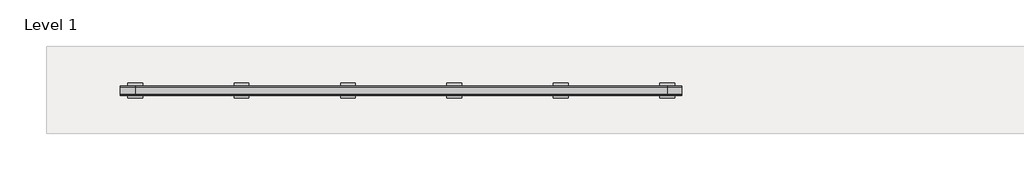
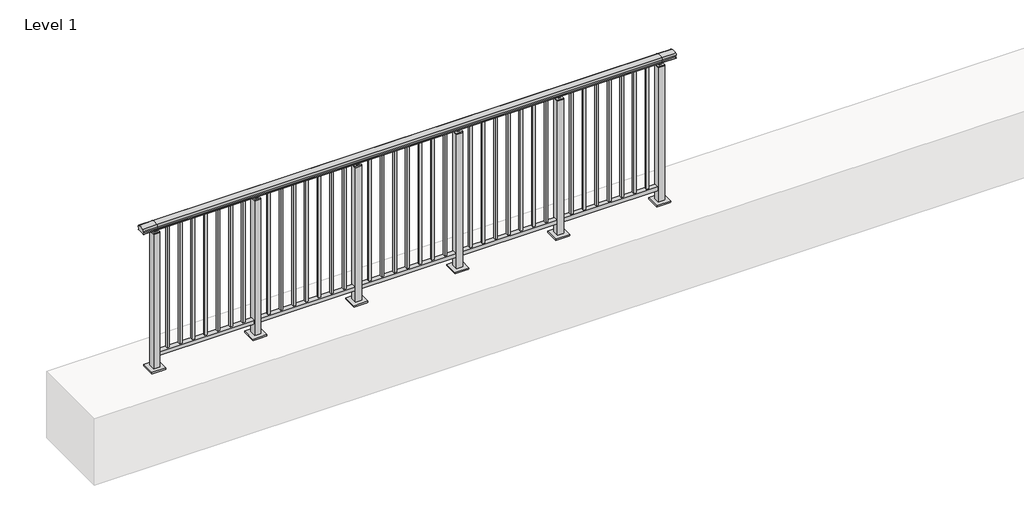
# One storey, part 26 of 64: 1 railing.
"""IFC4 building model written with IfcOpenShell, lengths in millimetres."""

from ifc_helpers import new_model, si_unit, frame, origin, origin_with_axes, place, context, project, spatial, polyline, circle_curve, outline, extrude, element, save
from ifc_brep_helpers import plane_surface, cylinder_surface, revolved_surface, advanced_brep

model = new_model("IFC4")

# Units and contexts
model_context = context("Model", 3, world=origin())
ifc_project = project(units=[si_unit("LENGTHUNIT", "METRE", prefix="MILLI")], contexts=[model_context])

# Site, building, storey
site = spatial("IfcSite", under=ifc_project)
building = spatial("IfcBuilding", under=site)
storey = spatial("IfcBuildingStorey", under=building, Name="Level 1", Elevation=0.0)

# Railing
placement = place(None, origin())
element("IfcRailing", 1, at=placement, inside=storey, context=model_context, shape_type="SolidModel", body=[
    advanced_brep(
    [(-100.0, 22715.3633756, 1095.6691182), (-100.0, 22720.1846828, 1081.1334092), (-100.0, 22719.2413744, 1069.2539035), (-100.0, 22721.1364177, 1061.4863007), (-100.0, 22719.4894799, 1060.384124), (-100.0, 22719.4894799, 1062.0), (-100.0, 22660.8798858, 1062.0), (-100.0, 22660.8798858, 1060.384124), (-100.0, 22659.232948, 1061.4863007), (-100.0, 22661.1279912, 1069.2539035), (-100.0, 22660.1846828, 1081.1334092), (-100.0, 22665.00599, 1095.6691182), (3700.0, 22715.3633756, 1095.6691182), (3700.0, 22665.00599, 1095.6691182), (3700.0, 22660.1846828, 1081.1334092), (3700.0, 22661.1279912, 1069.2539035), (3700.0, 22659.232948, 1061.4863007), (3700.0, 22660.8798858, 1060.384124), (3700.0, 22660.8798858, 1062.0), (3700.0, 22719.4894799, 1062.0), (3700.0, 22719.4894799, 1060.384124), (3700.0, 22721.1364177, 1061.4863007), (3700.0, 22719.2413744, 1069.2539035), (3700.0, 22720.1846828, 1081.1334092), (0.0, 22715.3633756, 1095.6691182), (0.0, 22720.1846828, 1081.1334092), (0.0, 22719.2413744, 1069.2539035), (0.0, 22721.1364177, 1061.4863007), (0.0, 22719.4894799, 1060.384124), (0.0, 22719.4894799, 1062.0), (0.0, 22660.8798858, 1062.0), (0.0, 22660.8798858, 1060.384124), (0.0, 22659.232948, 1061.4863007), (0.0, 22661.1279912, 1069.2539035), (0.0, 22660.1846828, 1081.1334092), (0.0, 22665.00599, 1095.6691182), (3600.0, 22715.3633756, 1095.6691182), (3600.0, 22720.1846828, 1081.1334092), (3600.0, 22719.2413744, 1069.2539035), (3600.0, 22721.1364177, 1061.4863007), (3600.0, 22719.4894799, 1060.384124), (3600.0, 22719.4894799, 1062.0), (3600.0, 22660.8798858, 1062.0), (3600.0, 22660.8798858, 1060.384124), (3600.0, 22659.232948, 1061.4863007), (3600.0, 22661.1279912, 1069.2539035), (3600.0, 22660.1846828, 1081.1334092), (3600.0, 22665.00599, 1095.6691182)],
    [
        (0, 1, circle_curve(frame((-100.0, 22712.1223845, 1086.526686), z_axis=(-1.0, 0.0, 0.0), x_axis=(0.0, -1.0, 0.0)), 9.6999015)),
        (1, 2, circle_curve(frame((-100.0, 22737.7252545, 1073.7633709), z_axis=(1.0, 0.0, 0.0), x_axis=(0.0, -1.0, 0.0)), 19.0260117)),
        (2, 3),
        (3, 4, circle_curve(frame((-100.0, 22720.2772073, 1060.9886194), z_axis=(-1.0, 0.0, 0.0), x_axis=(0.0, -1.0, 0.0)), 0.9929396)),
        (4, 5),
        (5, 6),
        (6, 7),
        (7, 8, circle_curve(frame((-100.0, 22660.0921584, 1060.9886194), z_axis=(-1.0, 0.0, 0.0), x_axis=(0.0, 1.0, 0.0)), 0.9929396)),
        (8, 9),
        (9, 10, circle_curve(frame((-100.0, 22642.6441111, 1073.7633709), z_axis=(1.0, 0.0, 0.0), x_axis=(0.0, 1.0, 0.0)), 19.0260117)),
        (10, 11, circle_curve(frame((-100.0, 22668.2469812, 1086.526686), z_axis=(-1.0, 0.0, 0.0), x_axis=(0.0, 1.0, 0.0)), 9.6999015)),
        (11, 0, circle_curve(frame((-100.0, 22690.1846828, 1024.6431628), z_axis=(-1.0, 0.0, 0.0), x_axis=(0.0, 1.0, 0.0)), 75.3568372)),
        (12, 13, circle_curve(frame((3700.0, 22690.1846828, 1024.6431628), z_axis=(1.0, 0.0, 0.0), x_axis=(0.0, 1.0, 0.0)), 75.3568372)),
        (13, 14, circle_curve(frame((3700.0, 22668.2469812, 1086.526686), z_axis=(1.0, 0.0, 0.0), x_axis=(0.0, 1.0, 0.0)), 9.6999015)),
        (14, 15, circle_curve(frame((3700.0, 22642.6441111, 1073.7633709), z_axis=(-1.0, 0.0, 0.0), x_axis=(0.0, 1.0, 0.0)), 19.0260117)),
        (15, 16),
        (16, 17, circle_curve(frame((3700.0, 22660.0921584, 1060.9886194), z_axis=(1.0, 0.0, 0.0), x_axis=(0.0, 1.0, 0.0)), 0.9929396)),
        (17, 18),
        (18, 19),
        (19, 20),
        (20, 21, circle_curve(frame((3700.0, 22720.2772073, 1060.9886194), z_axis=(1.0, 0.0, 0.0), x_axis=(0.0, -1.0, 0.0)), 0.9929396)),
        (21, 22),
        (22, 23, circle_curve(frame((3700.0, 22737.7252545, 1073.7633709), z_axis=(-1.0, 0.0, 0.0), x_axis=(0.0, -1.0, 0.0)), 19.0260117)),
        (23, 12, circle_curve(frame((3700.0, 22712.1223845, 1086.526686), z_axis=(1.0, 0.0, 0.0), x_axis=(0.0, -1.0, 0.0)), 9.6999015)),
        (0, 24),
        (24, 25, circle_curve(frame((0.0, 22712.1223845, 1086.526686), z_axis=(-1.0, 0.0, 0.0), x_axis=(0.0, -1.0, 0.0)), 9.6999015)),
        (25, 1),
        (25, 26, circle_curve(frame((0.0, 22737.7252545, 1073.7633709), z_axis=(1.0, 0.0, 0.0), x_axis=(0.0, -1.0, 0.0)), 19.0260117)),
        (26, 2),
        (26, 27),
        (27, 3),
        (27, 28, circle_curve(frame((0.0, 22720.2772073, 1060.9886194), z_axis=(-1.0, 0.0, 0.0), x_axis=(0.0, -1.0, 0.0)), 0.9929396)),
        (28, 4),
        (28, 29),
        (29, 5),
        (29, 30),
        (30, 6),
        (30, 31),
        (31, 7),
        (31, 32, circle_curve(frame((0.0, 22660.0921584, 1060.9886194), z_axis=(-1.0, 0.0, 0.0), x_axis=(0.0, 1.0, 0.0)), 0.9929396)),
        (32, 8),
        (32, 33),
        (33, 9),
        (33, 34, circle_curve(frame((0.0, 22642.6441111, 1073.7633709), z_axis=(1.0, 0.0, 0.0), x_axis=(0.0, 1.0, 0.0)), 19.0260117)),
        (34, 10),
        (34, 35, circle_curve(frame((0.0, 22668.2469812, 1086.526686), z_axis=(-1.0, 0.0, 0.0), x_axis=(0.0, 1.0, 0.0)), 9.6999015)),
        (35, 11),
        (35, 24, circle_curve(frame((0.0, 22690.1846828, 1024.6431628), z_axis=(-1.0, 0.0, 0.0), x_axis=(0.0, 1.0, 0.0)), 75.3568372)),
        (24, 36),
        (36, 37, circle_curve(frame((3600.0, 22712.1223845, 1086.526686), z_axis=(-1.0, 0.0, 0.0), x_axis=(0.0, -1.0, 0.0)), 9.6999015)),
        (37, 25),
        (37, 38, circle_curve(frame((3600.0, 22737.7252545, 1073.7633709), z_axis=(1.0, 0.0, 0.0), x_axis=(0.0, -1.0, 0.0)), 19.0260117)),
        (38, 26),
        (38, 39),
        (39, 27),
        (39, 40, circle_curve(frame((3600.0, 22720.2772073, 1060.9886194), z_axis=(-1.0, 0.0, 0.0), x_axis=(0.0, -1.0, 0.0)), 0.9929396)),
        (40, 28),
        (40, 41),
        (41, 29),
        (41, 42),
        (42, 30),
        (42, 43),
        (43, 31),
        (43, 44, circle_curve(frame((3600.0, 22660.0921584, 1060.9886194), z_axis=(-1.0, 0.0, 0.0), x_axis=(0.0, 1.0, 0.0)), 0.9929396)),
        (44, 32),
        (44, 45),
        (45, 33),
        (45, 46, circle_curve(frame((3600.0, 22642.6441111, 1073.7633709), z_axis=(1.0, 0.0, 0.0), x_axis=(0.0, 1.0, 0.0)), 19.0260117)),
        (46, 34),
        (46, 47, circle_curve(frame((3600.0, 22668.2469812, 1086.526686), z_axis=(-1.0, 0.0, 0.0), x_axis=(0.0, 1.0, 0.0)), 9.6999015)),
        (47, 35),
        (47, 36, circle_curve(frame((3600.0, 22690.1846828, 1024.6431628), z_axis=(-1.0, 0.0, 0.0), x_axis=(0.0, 1.0, 0.0)), 75.3568372)),
        (36, 12),
        (23, 37),
        (22, 38),
        (21, 39),
        (20, 40),
        (19, 41),
        (18, 42),
        (17, 43),
        (16, 44),
        (15, 45),
        (14, 46),
        (13, 47),
    ],
    [
        plane_surface(frame((-100.0, 22690.1846828, 1100.0), z_axis=(-1.0, 0.0, 0.0), x_axis=(0.0, 1.0, 0.0))),
        plane_surface(frame((3700.0, 22690.1846828, 1100.0), z_axis=(1.0, 0.0, 0.0), x_axis=(0.0, 1.0, 0.0))),
        cylinder_surface(frame((-100.0, 22712.1223845, 1086.526686), z_axis=(-1.0, 0.0, 0.0), x_axis=(0.0, -1.0, 0.0)), 9.6999015),
        revolved_surface(polyline([(0.0, 22718.6992428, 1073.7633709), (-100.0, 22718.6992428, 1073.7633709)]), (-100.0, 22737.7252545, 1073.7633709), (1.0, 0.0, 0.0)),
        plane_surface(frame((-100.0, 22719.2413744, 1069.2539035), z_axis=(0.0, 0.9715057689301543, 0.2370159086125439), x_axis=(1.0, 0.0, 0.0))),
        cylinder_surface(frame((-100.0, 22720.2772073, 1060.9886194), z_axis=(-1.0, 0.0, 0.0), x_axis=(0.0, -1.0, 0.0)), 0.9929396),
        plane_surface(frame((-100.0, 22719.4894799, 1060.384124), z_axis=(0.0, -1.0, 0.0), x_axis=(1.0, 0.0, 0.0))),
        plane_surface(frame((-100.0, 22719.4894799, 1062.0), z_axis=(0.0, 0.0, -1.0), x_axis=(1.0, 0.0, 0.0))),
        plane_surface(frame((-100.0, 22660.8798858, 1062.0), z_axis=(0.0, 1.0, 0.0), x_axis=(1.0, 0.0, 0.0))),
        cylinder_surface(frame((-100.0, 22660.0921584, 1060.9886194), z_axis=(-1.0, 0.0, 0.0), x_axis=(0.0, 1.0, 0.0)), 0.9929396),
        plane_surface(frame((-100.0, 22659.232948, 1061.4863007), z_axis=(0.0, -0.9715057689301543, 0.2370159086125439), x_axis=(1.0, 0.0, 0.0))),
        revolved_surface(polyline([(0.0, 22661.6701228, 1073.7633709), (-100.0, 22661.6701228, 1073.7633709)]), (-100.0, 22642.6441111, 1073.7633709), (1.0, 0.0, 0.0)),
        cylinder_surface(frame((-100.0, 22668.2469812, 1086.526686), z_axis=(-1.0, 0.0, 0.0), x_axis=(0.0, 1.0, 0.0)), 9.6999015),
        cylinder_surface(frame((-100.0, 22690.1846828, 1024.6431628), z_axis=(-1.0, 0.0, 0.0), x_axis=(0.0, 1.0, 0.0)), 75.3568372),
        cylinder_surface(frame((0.0, 22712.1223845, 1086.526686), z_axis=(-1.0, 0.0, 0.0), x_axis=(0.0, -1.0, 0.0)), 9.6999015),
        revolved_surface(polyline([(3600.0, 22718.6992428, 1073.7633709), (0.0, 22718.6992428, 1073.7633709)]), (0.0, 22737.7252545, 1073.7633709), (1.0, 0.0, 0.0)),
        plane_surface(frame((0.0, 22719.2413744, 1069.2539035), z_axis=(0.0, 0.9715057689301543, 0.2370159086125439), x_axis=(1.0, 0.0, 0.0))),
        cylinder_surface(frame((0.0, 22720.2772073, 1060.9886194), z_axis=(-1.0, 0.0, 0.0), x_axis=(0.0, -1.0, 0.0)), 0.9929396),
        plane_surface(frame((0.0, 22719.4894799, 1060.384124), z_axis=(0.0, -1.0, 0.0), x_axis=(1.0, 0.0, 0.0))),
        plane_surface(frame((0.0, 22719.4894799, 1062.0), z_axis=(0.0, 0.0, -1.0), x_axis=(1.0, 0.0, 0.0))),
        plane_surface(frame((0.0, 22660.8798858, 1062.0), z_axis=(0.0, 1.0, 0.0), x_axis=(1.0, 0.0, 0.0))),
        cylinder_surface(frame((0.0, 22660.0921584, 1060.9886194), z_axis=(-1.0, 0.0, 0.0), x_axis=(0.0, 1.0, 0.0)), 0.9929396),
        plane_surface(frame((0.0, 22659.232948, 1061.4863007), z_axis=(0.0, -0.9715057689301543, 0.2370159086125439), x_axis=(1.0, 0.0, 0.0))),
        revolved_surface(polyline([(3600.0, 22661.6701228, 1073.7633709), (0.0, 22661.6701228, 1073.7633709)]), (0.0, 22642.6441111, 1073.7633709), (1.0, 0.0, 0.0)),
        cylinder_surface(frame((0.0, 22668.2469812, 1086.526686), z_axis=(-1.0, 0.0, 0.0), x_axis=(0.0, 1.0, 0.0)), 9.6999015),
        cylinder_surface(frame((0.0, 22690.1846828, 1024.6431628), z_axis=(-1.0, 0.0, 0.0), x_axis=(0.0, 1.0, 0.0)), 75.3568372),
        cylinder_surface(frame((3600.0, 22712.1223845, 1086.526686), z_axis=(-1.0, 0.0, 0.0), x_axis=(0.0, -1.0, 0.0)), 9.6999015),
        revolved_surface(polyline([(3700.0, 22718.6992428, 1073.7633709), (3600.0, 22718.6992428, 1073.7633709)]), (3600.0, 22737.7252545, 1073.7633709), (1.0, 0.0, 0.0)),
        plane_surface(frame((3600.0, 22719.2413744, 1069.2539035), z_axis=(0.0, 0.9715057689301543, 0.2370159086125439), x_axis=(1.0, 0.0, 0.0))),
        cylinder_surface(frame((3600.0, 22720.2772073, 1060.9886194), z_axis=(-1.0, 0.0, 0.0), x_axis=(0.0, -1.0, 0.0)), 0.9929396),
        plane_surface(frame((3600.0, 22719.4894799, 1060.384124), z_axis=(0.0, -1.0, 0.0), x_axis=(1.0, 0.0, 0.0))),
        plane_surface(frame((3600.0, 22719.4894799, 1062.0), z_axis=(0.0, 0.0, -1.0), x_axis=(1.0, 0.0, 0.0))),
        plane_surface(frame((3600.0, 22660.8798858, 1062.0), z_axis=(0.0, 1.0, 0.0), x_axis=(1.0, 0.0, 0.0))),
        cylinder_surface(frame((3600.0, 22660.0921584, 1060.9886194), z_axis=(-1.0, 0.0, 0.0), x_axis=(0.0, 1.0, 0.0)), 0.9929396),
        plane_surface(frame((3600.0, 22659.232948, 1061.4863007), z_axis=(0.0, -0.9715057689301543, 0.2370159086125439), x_axis=(1.0, 0.0, 0.0))),
        revolved_surface(polyline([(3700.0, 22661.6701228, 1073.7633709), (3600.0, 22661.6701228, 1073.7633709)]), (3600.0, 22642.6441111, 1073.7633709), (1.0, 0.0, 0.0)),
        cylinder_surface(frame((3600.0, 22668.2469812, 1086.526686), z_axis=(-1.0, 0.0, 0.0), x_axis=(0.0, 1.0, 0.0)), 9.6999015),
        cylinder_surface(frame((3600.0, 22690.1846828, 1024.6431628), z_axis=(-1.0, 0.0, 0.0), x_axis=(0.0, 1.0, 0.0)), 75.3568372),
    ],
    [
        (0, [[1, 2, 3, 4, 5, 6, 7, 8, 9, 10, 11, 12]]),
        (1, [[13, 14, 15, 16, 17, 18, 19, 20, 21, 22, 23, 24]]),
        (2, [[-1, 25, 26, 27]]),
        (3, [[-2, -27, 28, 29]]),
        (4, [[-3, -29, 30, 31]]),
        (5, [[-4, -31, 32, 33]]),
        (6, [[-5, -33, 34, 35]]),
        (7, [[-6, -35, 36, 37]]),
        (8, [[-7, -37, 38, 39]]),
        (9, [[-8, -39, 40, 41]]),
        (10, [[-9, -41, 42, 43]]),
        (11, [[-10, -43, 44, 45]]),
        (12, [[-11, -45, 46, 47]]),
        (13, [[-12, -47, 48, -25]]),
        (14, [[-26, 49, 50, 51]]),
        (15, [[-28, -51, 52, 53]]),
        (16, [[-30, -53, 54, 55]]),
        (17, [[-32, -55, 56, 57]]),
        (18, [[-34, -57, 58, 59]]),
        (19, [[-36, -59, 60, 61]]),
        (20, [[-38, -61, 62, 63]]),
        (21, [[-40, -63, 64, 65]]),
        (22, [[-42, -65, 66, 67]]),
        (23, [[-44, -67, 68, 69]]),
        (24, [[-46, -69, 70, 71]]),
        (25, [[-48, -71, 72, -49]]),
        (26, [[-50, 73, -24, 74]]),
        (27, [[-52, -74, -23, 75]]),
        (28, [[-54, -75, -22, 76]]),
        (29, [[-56, -76, -21, 77]]),
        (30, [[-58, -77, -20, 78]]),
        (31, [[-60, -78, -19, 79]]),
        (32, [[-62, -79, -18, 80]]),
        (33, [[-64, -80, -17, 81]]),
        (34, [[-66, -81, -16, 82]]),
        (35, [[-68, -82, -15, 83]]),
        (36, [[-70, -83, -14, 84]]),
        (37, [[-72, -84, -13, -73]]),
    ],
),
    extrude(outline(polyline([(0.0, 22672.6846828), (0.0, 22707.6846828), (3600.0, 22707.6846828), (3600.0, 22672.6846828), (0.0, 22672.6846828)])), frame((0.0, 0.0, 95.0), z_axis=(0.0, 0.0, 1.0), x_axis=(1.0, 0.0, 0.0)), (0.0, 0.0, 1.0), 30.0),
    extrude(outline(polyline([(3518.5, 22698.6846828), (3518.5, 22681.6846828), (3501.5, 22681.6846828), (3501.5, 22698.6846828), (3518.5, 22698.6846828)])), frame((0.0, 0.0, 125.0), z_axis=(0.0, 0.0, 1.0), x_axis=(1.0, 0.0, 0.0)), (0.0, 0.0, 1.0), 930.0),
    extrude(outline(polyline([(3428.5, 22698.6846828), (3428.5, 22681.6846828), (3411.5, 22681.6846828), (3411.5, 22698.6846828), (3428.5, 22698.6846828)])), frame((0.0, 0.0, 125.0), z_axis=(0.0, 0.0, 1.0), x_axis=(1.0, 0.0, 0.0)), (0.0, 0.0, 1.0), 930.0),
    extrude(outline(polyline([(3338.5, 22698.6846828), (3338.5, 22681.6846828), (3321.5, 22681.6846828), (3321.5, 22698.6846828), (3338.5, 22698.6846828)])), frame((0.0, 0.0, 125.0), z_axis=(0.0, 0.0, 1.0), x_axis=(1.0, 0.0, 0.0)), (0.0, 0.0, 1.0), 930.0),
    extrude(outline(polyline([(3248.5, 22698.6846828), (3248.5, 22681.6846828), (3231.5, 22681.6846828), (3231.5, 22698.6846828), (3248.5, 22698.6846828)])), frame((0.0, 0.0, 125.0), z_axis=(0.0, 0.0, 1.0), x_axis=(1.0, 0.0, 0.0)), (0.0, 0.0, 1.0), 930.0),
    extrude(outline(polyline([(3158.5, 22698.6846828), (3158.5, 22681.6846828), (3141.5, 22681.6846828), (3141.5, 22698.6846828), (3158.5, 22698.6846828)])), frame((0.0, 0.0, 125.0), z_axis=(0.0, 0.0, 1.0), x_axis=(1.0, 0.0, 0.0)), (0.0, 0.0, 1.0), 930.0),
    extrude(outline(polyline([(3068.5, 22698.6846828), (3068.5, 22681.6846828), (3051.5, 22681.6846828), (3051.5, 22698.6846828), (3068.5, 22698.6846828)])), frame((0.0, 0.0, 125.0), z_axis=(0.0, 0.0, 1.0), x_axis=(1.0, 0.0, 0.0)), (0.0, 0.0, 1.0), 930.0),
    extrude(outline(polyline([(2978.5, 22698.6846828), (2978.5, 22681.6846828), (2961.5, 22681.6846828), (2961.5, 22698.6846828), (2978.5, 22698.6846828)])), frame((0.0, 0.0, 125.0), z_axis=(0.0, 0.0, 1.0), x_axis=(1.0, 0.0, 0.0)), (0.0, 0.0, 1.0), 930.0),
    extrude(outline(polyline([(2890.0, 22680.1846828), (2870.0, 22680.1846828), (2870.0, 22700.1846828), (2890.0, 22700.1846828), (2890.0, 22680.1846828)])), frame((0.0, 0.0, 1035.0), z_axis=(0.0, 0.0, 1.0), x_axis=(1.0, 0.0, 0.0)), (0.0, 0.0, 1.0), 20.0),
    extrude(outline(polyline([(2902.5, 22667.6846828), (2857.5, 22667.6846828), (2857.5, 22712.6846828), (2902.5, 22712.6846828), (2902.5, 22667.6846828)])), frame((0.0, 0.0, 1027.0), z_axis=(0.0, 0.0, 1.0), x_axis=(1.0, 0.0, 0.0)), (0.0, 0.0, 1.0), 8.0),
    extrude(outline(polyline([(2930.0, 22640.1846828), (2830.0, 22640.1846828), (2830.0, 22740.1846828), (2930.0, 22740.1846828), (2930.0, 22640.1846828)])), origin_with_axes(), (0.0, 0.0, 1.0), 12.0),
    extrude(outline(polyline([(2902.5, 22667.6846828), (2857.5, 22667.6846828), (2857.5, 22712.6846828), (2902.5, 22712.6846828), (2902.5, 22667.6846828)])), frame((0.0, 0.0, 12.0), z_axis=(0.0, 0.0, 1.0), x_axis=(1.0, 0.0, 0.0)), (0.0, 0.0, 1.0), 1015.0),
    extrude(outline(polyline([(2798.5, 22698.6846828), (2798.5, 22681.6846828), (2781.5, 22681.6846828), (2781.5, 22698.6846828), (2798.5, 22698.6846828)])), frame((0.0, 0.0, 125.0), z_axis=(0.0, 0.0, 1.0), x_axis=(1.0, 0.0, 0.0)), (0.0, 0.0, 1.0), 930.0),
    extrude(outline(polyline([(2708.5, 22698.6846828), (2708.5, 22681.6846828), (2691.5, 22681.6846828), (2691.5, 22698.6846828), (2708.5, 22698.6846828)])), frame((0.0, 0.0, 125.0), z_axis=(0.0, 0.0, 1.0), x_axis=(1.0, 0.0, 0.0)), (0.0, 0.0, 1.0), 930.0),
    extrude(outline(polyline([(2618.5, 22698.6846828), (2618.5, 22681.6846828), (2601.5, 22681.6846828), (2601.5, 22698.6846828), (2618.5, 22698.6846828)])), frame((0.0, 0.0, 125.0), z_axis=(0.0, 0.0, 1.0), x_axis=(1.0, 0.0, 0.0)), (0.0, 0.0, 1.0), 930.0),
    extrude(outline(polyline([(2528.5, 22698.6846828), (2528.5, 22681.6846828), (2511.5, 22681.6846828), (2511.5, 22698.6846828), (2528.5, 22698.6846828)])), frame((0.0, 0.0, 125.0), z_axis=(0.0, 0.0, 1.0), x_axis=(1.0, 0.0, 0.0)), (0.0, 0.0, 1.0), 930.0),
    extrude(outline(polyline([(2438.5, 22698.6846828), (2438.5, 22681.6846828), (2421.5, 22681.6846828), (2421.5, 22698.6846828), (2438.5, 22698.6846828)])), frame((0.0, 0.0, 125.0), z_axis=(0.0, 0.0, 1.0), x_axis=(1.0, 0.0, 0.0)), (0.0, 0.0, 1.0), 930.0),
    extrude(outline(polyline([(2348.5, 22698.6846828), (2348.5, 22681.6846828), (2331.5, 22681.6846828), (2331.5, 22698.6846828), (2348.5, 22698.6846828)])), frame((0.0, 0.0, 125.0), z_axis=(0.0, 0.0, 1.0), x_axis=(1.0, 0.0, 0.0)), (0.0, 0.0, 1.0), 930.0),
    extrude(outline(polyline([(2258.5, 22698.6846828), (2258.5, 22681.6846828), (2241.5, 22681.6846828), (2241.5, 22698.6846828), (2258.5, 22698.6846828)])), frame((0.0, 0.0, 125.0), z_axis=(0.0, 0.0, 1.0), x_axis=(1.0, 0.0, 0.0)), (0.0, 0.0, 1.0), 930.0),
    extrude(outline(polyline([(2170.0, 22680.1846828), (2150.0, 22680.1846828), (2150.0, 22700.1846828), (2170.0, 22700.1846828), (2170.0, 22680.1846828)])), frame((0.0, 0.0, 1035.0), z_axis=(0.0, 0.0, 1.0), x_axis=(1.0, 0.0, 0.0)), (0.0, 0.0, 1.0), 20.0),
    extrude(outline(polyline([(2182.5, 22667.6846828), (2137.5, 22667.6846828), (2137.5, 22712.6846828), (2182.5, 22712.6846828), (2182.5, 22667.6846828)])), frame((0.0, 0.0, 1027.0), z_axis=(0.0, 0.0, 1.0), x_axis=(1.0, 0.0, 0.0)), (0.0, 0.0, 1.0), 8.0),
    extrude(outline(polyline([(2210.0, 22640.1846828), (2110.0, 22640.1846828), (2110.0, 22740.1846828), (2210.0, 22740.1846828), (2210.0, 22640.1846828)])), origin_with_axes(), (0.0, 0.0, 1.0), 12.0),
    extrude(outline(polyline([(2182.5, 22667.6846828), (2137.5, 22667.6846828), (2137.5, 22712.6846828), (2182.5, 22712.6846828), (2182.5, 22667.6846828)])), frame((0.0, 0.0, 12.0), z_axis=(0.0, 0.0, 1.0), x_axis=(1.0, 0.0, 0.0)), (0.0, 0.0, 1.0), 1015.0),
    extrude(outline(polyline([(2078.5, 22698.6846828), (2078.5, 22681.6846828), (2061.5, 22681.6846828), (2061.5, 22698.6846828), (2078.5, 22698.6846828)])), frame((0.0, 0.0, 125.0), z_axis=(0.0, 0.0, 1.0), x_axis=(1.0, 0.0, 0.0)), (0.0, 0.0, 1.0), 930.0),
    extrude(outline(polyline([(1988.5, 22698.6846828), (1988.5, 22681.6846828), (1971.5, 22681.6846828), (1971.5, 22698.6846828), (1988.5, 22698.6846828)])), frame((0.0, 0.0, 125.0), z_axis=(0.0, 0.0, 1.0), x_axis=(1.0, 0.0, 0.0)), (0.0, 0.0, 1.0), 930.0),
    extrude(outline(polyline([(1898.5, 22698.6846828), (1898.5, 22681.6846828), (1881.5, 22681.6846828), (1881.5, 22698.6846828), (1898.5, 22698.6846828)])), frame((0.0, 0.0, 125.0), z_axis=(0.0, 0.0, 1.0), x_axis=(1.0, 0.0, 0.0)), (0.0, 0.0, 1.0), 930.0),
    extrude(outline(polyline([(1808.5, 22698.6846828), (1808.5, 22681.6846828), (1791.5, 22681.6846828), (1791.5, 22698.6846828), (1808.5, 22698.6846828)])), frame((0.0, 0.0, 125.0), z_axis=(0.0, 0.0, 1.0), x_axis=(1.0, 0.0, 0.0)), (0.0, 0.0, 1.0), 930.0),
    extrude(outline(polyline([(1718.5, 22698.6846828), (1718.5, 22681.6846828), (1701.5, 22681.6846828), (1701.5, 22698.6846828), (1718.5, 22698.6846828)])), frame((0.0, 0.0, 125.0), z_axis=(0.0, 0.0, 1.0), x_axis=(1.0, 0.0, 0.0)), (0.0, 0.0, 1.0), 930.0),
    extrude(outline(polyline([(1628.5, 22698.6846828), (1628.5, 22681.6846828), (1611.5, 22681.6846828), (1611.5, 22698.6846828), (1628.5, 22698.6846828)])), frame((0.0, 0.0, 125.0), z_axis=(0.0, 0.0, 1.0), x_axis=(1.0, 0.0, 0.0)), (0.0, 0.0, 1.0), 930.0),
    extrude(outline(polyline([(1538.5, 22698.6846828), (1538.5, 22681.6846828), (1521.5, 22681.6846828), (1521.5, 22698.6846828), (1538.5, 22698.6846828)])), frame((0.0, 0.0, 125.0), z_axis=(0.0, 0.0, 1.0), x_axis=(1.0, 0.0, 0.0)), (0.0, 0.0, 1.0), 930.0),
    extrude(outline(polyline([(1450.0, 22680.1846828), (1430.0, 22680.1846828), (1430.0, 22700.1846828), (1450.0, 22700.1846828), (1450.0, 22680.1846828)])), frame((0.0, 0.0, 1035.0), z_axis=(0.0, 0.0, 1.0), x_axis=(1.0, 0.0, 0.0)), (0.0, 0.0, 1.0), 20.0),
    extrude(outline(polyline([(1462.5, 22667.6846828), (1417.5, 22667.6846828), (1417.5, 22712.6846828), (1462.5, 22712.6846828), (1462.5, 22667.6846828)])), frame((0.0, 0.0, 1027.0), z_axis=(0.0, 0.0, 1.0), x_axis=(1.0, 0.0, 0.0)), (0.0, 0.0, 1.0), 8.0),
    extrude(outline(polyline([(1490.0, 22640.1846828), (1390.0, 22640.1846828), (1390.0, 22740.1846828), (1490.0, 22740.1846828), (1490.0, 22640.1846828)])), origin_with_axes(), (0.0, 0.0, 1.0), 12.0),
    extrude(outline(polyline([(1462.5, 22667.6846828), (1417.5, 22667.6846828), (1417.5, 22712.6846828), (1462.5, 22712.6846828), (1462.5, 22667.6846828)])), frame((0.0, 0.0, 12.0), z_axis=(0.0, 0.0, 1.0), x_axis=(1.0, 0.0, 0.0)), (0.0, 0.0, 1.0), 1015.0),
    extrude(outline(polyline([(1358.5, 22698.6846828), (1358.5, 22681.6846828), (1341.5, 22681.6846828), (1341.5, 22698.6846828), (1358.5, 22698.6846828)])), frame((0.0, 0.0, 125.0), z_axis=(0.0, 0.0, 1.0), x_axis=(1.0, 0.0, 0.0)), (0.0, 0.0, 1.0), 930.0),
    extrude(outline(polyline([(1268.5, 22698.6846828), (1268.5, 22681.6846828), (1251.5, 22681.6846828), (1251.5, 22698.6846828), (1268.5, 22698.6846828)])), frame((0.0, 0.0, 125.0), z_axis=(0.0, 0.0, 1.0), x_axis=(1.0, 0.0, 0.0)), (0.0, 0.0, 1.0), 930.0),
    extrude(outline(polyline([(1178.5, 22698.6846828), (1178.5, 22681.6846828), (1161.5, 22681.6846828), (1161.5, 22698.6846828), (1178.5, 22698.6846828)])), frame((0.0, 0.0, 125.0), z_axis=(0.0, 0.0, 1.0), x_axis=(1.0, 0.0, 0.0)), (0.0, 0.0, 1.0), 930.0),
    extrude(outline(polyline([(1088.5, 22698.6846828), (1088.5, 22681.6846828), (1071.5, 22681.6846828), (1071.5, 22698.6846828), (1088.5, 22698.6846828)])), frame((0.0, 0.0, 125.0), z_axis=(0.0, 0.0, 1.0), x_axis=(1.0, 0.0, 0.0)), (0.0, 0.0, 1.0), 930.0),
    extrude(outline(polyline([(998.5, 22698.6846828), (998.5, 22681.6846828), (981.5, 22681.6846828), (981.5, 22698.6846828), (998.5, 22698.6846828)])), frame((0.0, 0.0, 125.0), z_axis=(0.0, 0.0, 1.0), x_axis=(1.0, 0.0, 0.0)), (0.0, 0.0, 1.0), 930.0),
    extrude(outline(polyline([(908.5, 22698.6846828), (908.5, 22681.6846828), (891.5, 22681.6846828), (891.5, 22698.6846828), (908.5, 22698.6846828)])), frame((0.0, 0.0, 125.0), z_axis=(0.0, 0.0, 1.0), x_axis=(1.0, 0.0, 0.0)), (0.0, 0.0, 1.0), 930.0),
    extrude(outline(polyline([(818.5, 22698.6846828), (818.5, 22681.6846828), (801.5, 22681.6846828), (801.5, 22698.6846828), (818.5, 22698.6846828)])), frame((0.0, 0.0, 125.0), z_axis=(0.0, 0.0, 1.0), x_axis=(1.0, 0.0, 0.0)), (0.0, 0.0, 1.0), 930.0),
    extrude(outline(polyline([(730.0, 22680.1846828), (710.0, 22680.1846828), (710.0, 22700.1846828), (730.0, 22700.1846828), (730.0, 22680.1846828)])), frame((0.0, 0.0, 1035.0), z_axis=(0.0, 0.0, 1.0), x_axis=(1.0, 0.0, 0.0)), (0.0, 0.0, 1.0), 20.0),
    extrude(outline(polyline([(742.5, 22667.6846828), (697.5, 22667.6846828), (697.5, 22712.6846828), (742.5, 22712.6846828), (742.5, 22667.6846828)])), frame((0.0, 0.0, 1027.0), z_axis=(0.0, 0.0, 1.0), x_axis=(1.0, 0.0, 0.0)), (0.0, 0.0, 1.0), 8.0),
    extrude(outline(polyline([(770.0, 22640.1846828), (670.0, 22640.1846828), (670.0, 22740.1846828), (770.0, 22740.1846828), (770.0, 22640.1846828)])), origin_with_axes(), (0.0, 0.0, 1.0), 12.0),
    extrude(outline(polyline([(742.5, 22667.6846828), (697.5, 22667.6846828), (697.5, 22712.6846828), (742.5, 22712.6846828), (742.5, 22667.6846828)])), frame((0.0, 0.0, 12.0), z_axis=(0.0, 0.0, 1.0), x_axis=(1.0, 0.0, 0.0)), (0.0, 0.0, 1.0), 1015.0),
    extrude(outline(polyline([(638.5, 22698.6846828), (638.5, 22681.6846828), (621.5, 22681.6846828), (621.5, 22698.6846828), (638.5, 22698.6846828)])), frame((0.0, 0.0, 125.0), z_axis=(0.0, 0.0, 1.0), x_axis=(1.0, 0.0, 0.0)), (0.0, 0.0, 1.0), 930.0),
    extrude(outline(polyline([(548.5, 22698.6846828), (548.5, 22681.6846828), (531.5, 22681.6846828), (531.5, 22698.6846828), (548.5, 22698.6846828)])), frame((0.0, 0.0, 125.0), z_axis=(0.0, 0.0, 1.0), x_axis=(1.0, 0.0, 0.0)), (0.0, 0.0, 1.0), 930.0),
    extrude(outline(polyline([(458.5, 22698.6846828), (458.5, 22681.6846828), (441.5, 22681.6846828), (441.5, 22698.6846828), (458.5, 22698.6846828)])), frame((0.0, 0.0, 125.0), z_axis=(0.0, 0.0, 1.0), x_axis=(1.0, 0.0, 0.0)), (0.0, 0.0, 1.0), 930.0),
    extrude(outline(polyline([(368.5, 22698.6846828), (368.5, 22681.6846828), (351.5, 22681.6846828), (351.5, 22698.6846828), (368.5, 22698.6846828)])), frame((0.0, 0.0, 125.0), z_axis=(0.0, 0.0, 1.0), x_axis=(1.0, 0.0, 0.0)), (0.0, 0.0, 1.0), 930.0),
    extrude(outline(polyline([(278.5, 22698.6846828), (278.5, 22681.6846828), (261.5, 22681.6846828), (261.5, 22698.6846828), (278.5, 22698.6846828)])), frame((0.0, 0.0, 125.0), z_axis=(0.0, 0.0, 1.0), x_axis=(1.0, 0.0, 0.0)), (0.0, 0.0, 1.0), 930.0),
    extrude(outline(polyline([(188.5, 22698.6846828), (188.5, 22681.6846828), (171.5, 22681.6846828), (171.5, 22698.6846828), (188.5, 22698.6846828)])), frame((0.0, 0.0, 125.0), z_axis=(0.0, 0.0, 1.0), x_axis=(1.0, 0.0, 0.0)), (0.0, 0.0, 1.0), 930.0),
    extrude(outline(polyline([(98.5, 22698.6846828), (98.5, 22681.6846828), (81.5, 22681.6846828), (81.5, 22698.6846828), (98.5, 22698.6846828)])), frame((0.0, 0.0, 125.0), z_axis=(0.0, 0.0, 1.0), x_axis=(1.0, 0.0, 0.0)), (0.0, 0.0, 1.0), 930.0),
    extrude(outline(polyline([(3610.0, 22680.1846828), (3590.0, 22680.1846828), (3590.0, 22700.1846828), (3610.0, 22700.1846828), (3610.0, 22680.1846828)])), frame((0.0, 0.0, 1035.0), z_axis=(0.0, 0.0, 1.0), x_axis=(1.0, 0.0, 0.0)), (0.0, 0.0, 1.0), 20.0),
    extrude(outline(polyline([(3622.5, 22667.6846828), (3577.5, 22667.6846828), (3577.5, 22712.6846828), (3622.5, 22712.6846828), (3622.5, 22667.6846828)])), frame((0.0, 0.0, 1027.0), z_axis=(0.0, 0.0, 1.0), x_axis=(1.0, 0.0, 0.0)), (0.0, 0.0, 1.0), 8.0),
    extrude(outline(polyline([(3650.0, 22640.1846828), (3550.0, 22640.1846828), (3550.0, 22740.1846828), (3650.0, 22740.1846828), (3650.0, 22640.1846828)])), origin_with_axes(), (0.0, 0.0, 1.0), 12.0),
    extrude(outline(polyline([(3622.5, 22667.6846828), (3577.5, 22667.6846828), (3577.5, 22712.6846828), (3622.5, 22712.6846828), (3622.5, 22667.6846828)])), frame((0.0, 0.0, 12.0), z_axis=(0.0, 0.0, 1.0), x_axis=(1.0, 0.0, 0.0)), (0.0, 0.0, 1.0), 1015.0),
    extrude(outline(polyline([(10.0, 22680.1846828), (-10.0, 22680.1846828), (-10.0, 22700.1846828), (10.0, 22700.1846828), (10.0, 22680.1846828)])), frame((0.0, 0.0, 1035.0), z_axis=(0.0, 0.0, 1.0), x_axis=(1.0, 0.0, 0.0)), (0.0, 0.0, 1.0), 20.0),
    extrude(outline(polyline([(22.5, 22667.6846828), (-22.5, 22667.6846828), (-22.5, 22712.6846828), (22.5, 22712.6846828), (22.5, 22667.6846828)])), frame((0.0, 0.0, 1027.0), z_axis=(0.0, 0.0, 1.0), x_axis=(1.0, 0.0, 0.0)), (0.0, 0.0, 1.0), 8.0),
    extrude(outline(polyline([(50.0, 22640.1846828), (-50.0, 22640.1846828), (-50.0, 22740.1846828), (50.0, 22740.1846828), (50.0, 22640.1846828)])), origin_with_axes(), (0.0, 0.0, 1.0), 12.0),
    extrude(outline(polyline([(22.5, 22667.6846828), (-22.5, 22667.6846828), (-22.5, 22712.6846828), (22.5, 22712.6846828), (22.5, 22667.6846828)])), frame((0.0, 0.0, 12.0), z_axis=(0.0, 0.0, 1.0), x_axis=(1.0, 0.0, 0.0)), (0.0, 0.0, 1.0), 1015.0),
])

save(model, "model.ifc")
